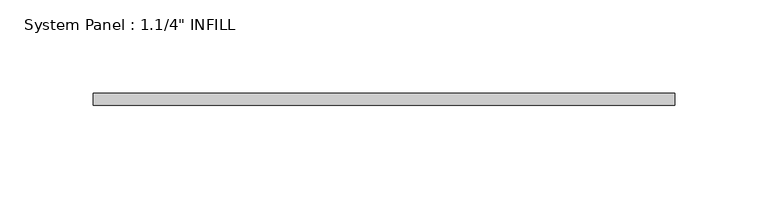
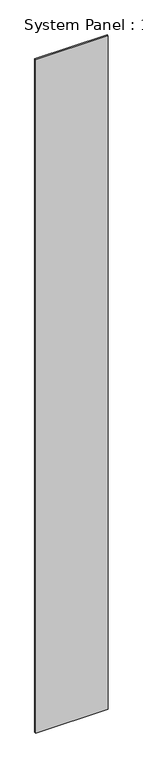
"""IFC4 building model written with IfcOpenShell, lengths in millimetres: plate geometry."""

from ifc_helpers import new_model, si_unit, origin, origin_with_axes, place, context, project, spatial, polyline, outline, extrude, source, transform, mapped, element, save


def plate_4280e54e(model_context):
    return source(origin(), model_context, "Body", "SweptSolid", [
        extrude(outline(polyline([(155.575, 0.0992187), (-155.575, 0.0992187), (-155.575, 6.4492187), (155.575, 6.4492187), (155.575, 0.0992187)])), origin_with_axes(), (0.0, 0.0, 1.0), 3048.0),
    ])


if __name__ == "__main__":
    model = new_model("IFC4")
    model_context = context("Model", 3, world=origin())
    ifc_project = project(units=[si_unit("LENGTHUNIT", "METRE", prefix="MILLI")], contexts=[model_context])
    site = spatial("IfcSite", under=ifc_project)
    building = spatial("IfcBuilding", under=site)
    placement = place(None, origin())
    plate_shape = plate_4280e54e(model_context)
    element("IfcPlate", 1, ObjectType="System Panel : 1.1/4\" INFILL", at=placement, inside=building, context=model_context, shape_type="MappedRepresentation", body=[
        mapped(plate_shape, transform((0.0, 0.0, 0.0), x_axis=(1.0, 0.0, 0.0), y_axis=(0.0, 1.0, 0.0), z_axis=(0.0, 0.0, 1.0))),
    ])
    save(model, "model.ifc")
